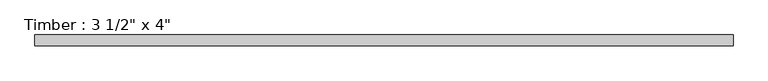
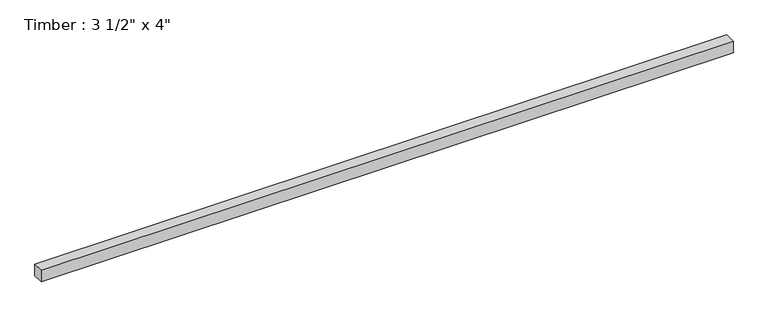
"""IFC4 building model written with IfcOpenShell, lengths in millimetres: beam geometry."""

import ifcopenshell
import ifcopenshell.guid

model = None  # the IFC model being written
_history = None  # IfcOwnerHistory: only IFC2X3 demands one
_inside = {}  # id of a spatial element -> (the spatial element, [elements in it])
_under = {}  # id of a project, library or spatial element -> (it, [spatial elements below it])
_declared = {}  # id of a project -> (the project, [libraries it declares])
_typed = {}  # id of a type object -> (the type object, [elements of that type])
_made_of = {}  # id of a material, layer set ... -> (it, [elements and type objects made of it])


def new_model(schema):
    """Start an empty IFC model of exactly this schema.

    Asked for "IFC4X3", IfcOpenShell would pick the latest addendum, in which some entities
    have other attributes; the version numbers below select the first issue.
    IFC2X3 requires an IfcOwnerHistory on every rooted entity: one is made here for all.
    """
    global model, _history
    if schema == "IFC4X3":
        model = ifcopenshell.file(schema_version=(4, 3, 0, 0))
    else:
        model = ifcopenshell.file(schema=schema)
    _inside.clear()
    _under.clear()
    _declared.clear()
    _typed.clear()
    _made_of.clear()
    _history = None
    if model.schema == "IFC2X3":
        org = make("IfcOrganization", Name="unknown")
        user = make(
            "IfcPersonAndOrganization",
            ThePerson=make("IfcPerson", FamilyName="unknown"),
            TheOrganization=org,
        )
        app = make(
            "IfcApplication",
            ApplicationDeveloper=org,
            Version="unknown",
            ApplicationFullName="unknown",
            ApplicationIdentifier="unknown",
        )
        _history = make(
            "IfcOwnerHistory",
            OwningUser=user,
            OwningApplication=app,
            ChangeAction="ADDED",
            CreationDate=0,
        )
    return model


def make(cls, **values):
    """One entity of the class cls with the attributes given. An attribute that is None is left unset."""
    return model.create_entity(
        cls, **{name: value for name, value in values.items() if value is not None}
    )


def rooted(cls, **values):
    """An entity with a GlobalId (a new one), such as an element, a storey or a relation."""
    return make(cls, GlobalId=ifcopenshell.guid.new(), OwnerHistory=_history, **values)


def si_unit(unit_type, name, prefix=None):
    """IfcSIUnit, for example si_unit("LENGTHUNIT", "METRE", prefix="MILLI")."""
    return make("IfcSIUnit", UnitType=unit_type, Prefix=prefix, Name=name)


def assignment(units):
    """IfcUnitAssignment: the units of a project."""
    return None if units is None else make("IfcUnitAssignment", Units=units)


def point(xyz):
    """IfcCartesianPoint."""
    return None if xyz is None else make("IfcCartesianPoint", Coordinates=xyz)


def direction(xyz):
    """IfcDirection."""
    return None if xyz is None else make("IfcDirection", DirectionRatios=xyz)


def frame(location, z_axis=None, x_axis=None):
    """IfcAxis2Placement3D, a coordinate frame: its origin and axes. An axis left out is left unset."""
    return make(
        "IfcAxis2Placement3D",
        Location=point(location),
        Axis=direction(z_axis),
        RefDirection=direction(x_axis),
    )


def origin():
    """The frame at (0, 0, 0) with its axes left unset."""
    return frame((0.0, 0.0, 0.0))


def place(relative_to, where):
    """IfcLocalPlacement: puts the frame where relative to a parent placement (None: the world)."""
    return make(
        "IfcLocalPlacement", PlacementRelTo=relative_to, RelativePlacement=where
    )


def context(
    kind, dimensions, precision=None, world=None, true_north=None, identifier=None
):
    """IfcGeometricRepresentationContext, for example the 3D "Model" context."""
    return make(
        "IfcGeometricRepresentationContext",
        ContextIdentifier=identifier,
        ContextType=kind,
        CoordinateSpaceDimension=dimensions,
        Precision=precision,
        WorldCoordinateSystem=world,
        TrueNorth=true_north,
    )


def project(units=None, contexts=None):
    """IfcProject with its units and contexts."""
    return rooted(
        "IfcProject",
        Name="project",
        RepresentationContexts=contexts,
        UnitsInContext=assignment(units),
    )


def spatial(cls, under=None, at=None, **own):
    """A site, building, storey or space (cls), placed at a placement, below another one or the project."""
    s = rooted(cls, ObjectPlacement=at, **own)
    if under is not None:
        _under.setdefault(under.id(), (under, []))[1].append(s)
    return s


def polyline(points):
    """IfcPolyline through the points."""
    return make("IfcPolyline", Points=[point(p) for p in points])


def outline(outer, holes=None, kind="AREA"):
    """IfcArbitraryClosedProfileDef: a profile drawn as a closed curve; with holes, ...WithVoids."""
    if holes is None:
        return make("IfcArbitraryClosedProfileDef", ProfileType=kind, OuterCurve=outer)
    return make(
        "IfcArbitraryProfileDefWithVoids",
        ProfileType=kind,
        OuterCurve=outer,
        InnerCurves=holes,
    )


def extrude(swept, where, along, depth):
    """IfcExtrudedAreaSolid: the profile swept, set in the frame where, extruded along a direction by depth."""
    return make(
        "IfcExtrudedAreaSolid",
        SweptArea=swept,
        Position=where,
        ExtrudedDirection=direction(along),
        Depth=depth,
    )


def shape(context_of_items, identifier, shape_type, items):
    """IfcShapeRepresentation: the items that make up one representation, for example the "Body"."""
    return make(
        "IfcShapeRepresentation",
        ContextOfItems=context_of_items,
        RepresentationIdentifier=identifier,
        RepresentationType=shape_type,
        Items=items,
    )


def source(mapping_origin, context_of_items, identifier, shape_type, items):
    """IfcRepresentationMap: a shape defined once, which mapped items show again and again."""
    return make(
        "IfcRepresentationMap",
        MappingOrigin=mapping_origin,
        MappedRepresentation=shape(context_of_items, identifier, shape_type, items),
    )


def transform(
    local_origin,
    x_axis=None,
    y_axis=None,
    z_axis=None,
    scale=None,
    scale2=None,
    scale3=None,
    uniform=True,
):
    """IfcCartesianTransformationOperator3D, or its non-uniform kind. x_axis, y_axis, z_axis: its Axis1, 2, 3."""
    if uniform:
        return make(
            "IfcCartesianTransformationOperator3D",
            Axis1=direction(x_axis),
            Axis2=direction(y_axis),
            LocalOrigin=point(local_origin),
            Scale=scale,
            Axis3=direction(z_axis),
        )
    return make(
        "IfcCartesianTransformationOperator3DnonUniform",
        Axis1=direction(x_axis),
        Axis2=direction(y_axis),
        LocalOrigin=point(local_origin),
        Scale=scale,
        Axis3=direction(z_axis),
        Scale2=scale2,
        Scale3=scale3,
    )


def mapped(mapping_source, mapping_target):
    """IfcMappedItem: shows the shape of a source again, moved by a transform."""
    return make(
        "IfcMappedItem", MappingSource=mapping_source, MappingTarget=mapping_target
    )


def made_of(thing, what):
    """Note that an element or type object is made of a material, layer set ...; save() writes the relation."""
    if what is not None:
        _made_of.setdefault(what.id(), (what, []))[1].append(thing)
    return thing


def element(
    cls,
    number,
    at=None,
    inside=None,
    cuts=None,
    type_object=None,
    material=None,
    context=None,
    identifier="Body",
    shape_type=None,
    held_by="IfcProductDefinitionShape",
    body=None,
    shapes=None,
    **own,
):
    """One element of the class cls, such as IfcWall. Its Tag is "e" and its number.

    at: its placement. inside: the storey or other place that contains it. cuts: it is an
    opening in that element (IfcRelVoidsElement). A single representation is given by context,
    identifier, shape_type and body (its items); several are given by shapes. held_by: the class
    of the entity that holds the representations. save() writes the other relations.
    """
    e = rooted(cls, Tag="e%d" % number, ObjectPlacement=at, **own)
    if body is not None:
        shapes = [shape(context, identifier, shape_type, body)]
    if shapes is not None:
        e.Representation = make(held_by, Representations=shapes)
    if inside is not None:
        _inside.setdefault(inside.id(), (inside, []))[1].append(e)
    if cuts is not None:
        rooted(
            "IfcRelVoidsElement", RelatingBuildingElement=cuts, RelatedOpeningElement=e
        )
    if type_object is not None:
        _typed.setdefault(type_object.id(), (type_object, []))[1].append(e)
    return made_of(e, material)


def aggregate(whole, parts):
    """IfcRelAggregates: a whole, such as a stair, and the parts it consists of."""
    return rooted("IfcRelAggregates", RelatingObject=whole, RelatedObjects=parts)


def save(model, path):
    """Write the relations noted so far, then the file.

    IfcRelAggregates (storeys below a building ...), IfcRelContainedInSpatialStructure (elements
    in a storey), IfcRelDefinesByType, IfcRelAssociatesMaterial and IfcRelDeclares: one each for
    every whole, place, type object, material and project.
    """
    for whole, parts in _under.values():
        aggregate(whole, parts)
    for where, things in _inside.values():
        rooted(
            "IfcRelContainedInSpatialStructure",
            RelatedElements=things,
            RelatingStructure=where,
        )
    for kind, things in _typed.values():
        rooted("IfcRelDefinesByType", RelatedObjects=things, RelatingType=kind)
    for what, things in _made_of.values():
        rooted("IfcRelAssociatesMaterial", RelatedObjects=things, RelatingMaterial=what)
    for by, libraries in _declared.values():
        rooted("IfcRelDeclares", RelatingContext=by, RelatedDefinitions=libraries)
    model.write(path)


def beam_794bc7a0(model_context):
    return source(origin(), model_context, "Body", "SweptSolid", [
        extrude(outline(polyline([(2835.1709866, -44.45), (-2835.1709866, -44.45), (-2835.1709866, 44.45), (2835.1709866, 44.45), (2835.1709866, -44.45)])), frame((0.0, 0.0, -50.8), z_axis=(0.0, 0.0, 1.0), x_axis=(1.0, 0.0, 0.0)), (0.0, 0.0, 1.0), 101.6),
    ])


if __name__ == "__main__":
    model = new_model("IFC4")
    model_context = context("Model", 3, world=origin())
    ifc_project = project(units=[si_unit("LENGTHUNIT", "METRE", prefix="MILLI")], contexts=[model_context])
    site = spatial("IfcSite", under=ifc_project)
    building = spatial("IfcBuilding", under=site)
    placement = place(None, origin())
    beam_shape = beam_794bc7a0(model_context)
    element("IfcBeam", 1, ObjectType="Timber : 3 1/2\" x 4\"", at=placement, inside=building, context=model_context, shape_type="MappedRepresentation", body=[
        mapped(beam_shape, transform((0.0, 0.0, 0.0), x_axis=(1.0, 0.0, 0.0), y_axis=(0.0, 1.0, 0.0), z_axis=(0.0, 0.0, 1.0))),
    ])
    save(model, "model.ifc")
